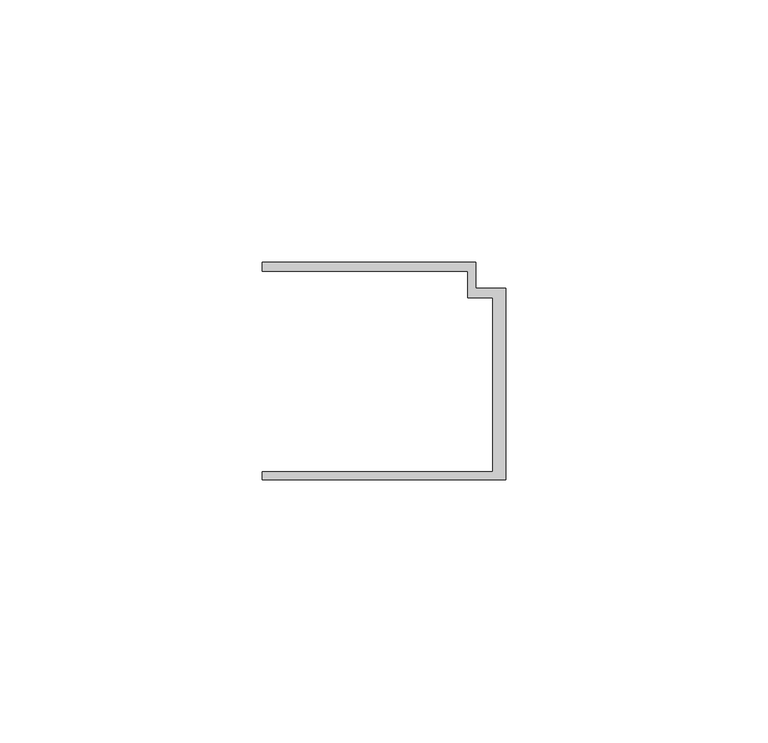
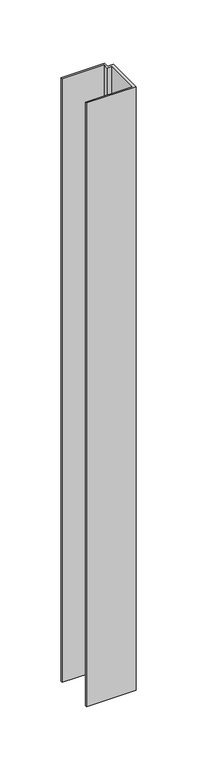
"""IFC4 building model written with IfcOpenShell, lengths in millimetres: member geometry."""

from ifc_helpers import new_model, si_unit, frame, origin, place, context, project, spatial, polyline, outline, extrude, source, transform, mapped, element, save


def member_5132649f(model_context):
    return source(origin(), model_context, "Body", "SweptSolid", [
        extrude(outline(polyline([(-46.3, -19.2), (-2.4, -19.2), (-2.4, 14.0), (-7.2, 14.0), (-7.2, 19.0), (-46.3, 19.0), (-46.3, 20.7), (-5.6999992, 20.7), (-5.6999992, 15.8), (0.0, 15.8), (0.0, -20.7), (-46.3, -20.7), (-46.3, -19.2)])), frame((0.0, 0.0, -600.0), z_axis=(0.0, 0.0, 1.0), x_axis=(1.0, 0.0, 0.0)), (0.0, 0.0, 1.0), 600.0),
    ])


if __name__ == "__main__":
    model = new_model("IFC4")
    model_context = context("Model", 3, world=origin())
    ifc_project = project(units=[si_unit("LENGTHUNIT", "METRE", prefix="MILLI")], contexts=[model_context])
    site = spatial("IfcSite", under=ifc_project)
    building = spatial("IfcBuilding", under=site)
    placement = place(None, origin())
    member_shape = member_5132649f(model_context)
    element("IfcMember", 1, at=placement, inside=building, context=model_context, shape_type="MappedRepresentation", body=[
        mapped(member_shape, transform((0.0, 0.0, 0.0), x_axis=(1.0, 0.0, 0.0), y_axis=(0.0, 1.0, 0.0), z_axis=(0.0, 0.0, 1.0))),
    ])
    save(model, "model.ifc")
